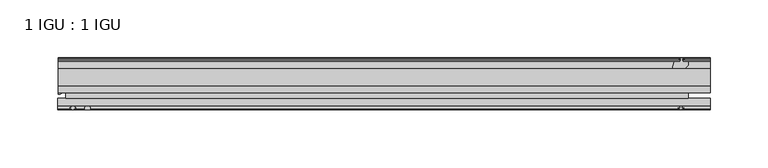
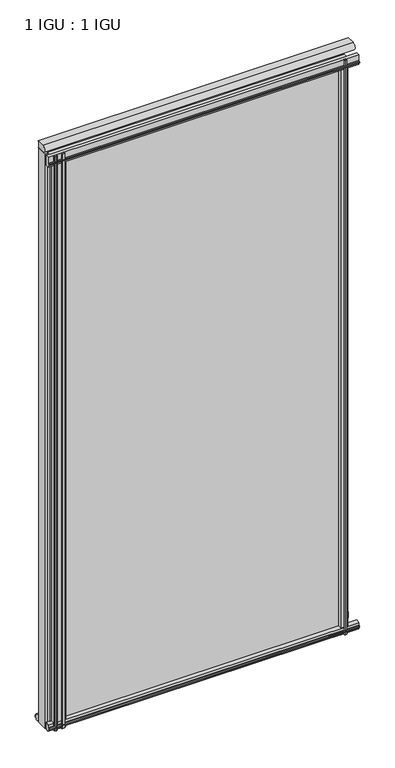
"""IFC4 building model written with IfcOpenShell, lengths in millimetres: plate geometry, 1 IGU : 1 IGU."""

from ifc_helpers import new_model, si_unit, point, frame, frame_2d, origin, place, context, project, spatial, polyline, circle_curve, ellipse_curve, trimmed, segment, composite_curve, outline, extrude, source, transform, mapped, element, save
from ifc_brep_helpers import plane_surface, cylinder_surface, revolved_surface, extruded_surface, advanced_brep


def plate_1_igu_1_igu_5620c379(model_context):
    return source(origin(), model_context, "Body", "SolidModel", [
        extrude(outline(polyline([(-276.2250001, -38.6468937), (263.5250001, -38.6468937), (263.5250001, -44.9460938), (-276.2250001, -44.9460938), (-276.2250001, -38.6468937)])), frame((0.0, 0.0, -12.7), z_axis=(0.0, 0.0, 1.0), x_axis=(1.0, 0.0, 0.0)), (0.0, 0.0, 1.0), 1106.5764186),
        extrude(outline(polyline([(-276.2250001, -19.5460937), (263.5250001, -19.5460937), (263.5250001, -25.8960938), (-276.2250001, -25.8960938), (-276.2250001, -19.5460937)])), frame((0.0, 0.0, -12.7), z_axis=(0.0, 0.0, 1.0), x_axis=(1.0, 0.0, 0.0)), (0.0, 0.0, 1.0), 1106.5764186),
        advanced_brep(
        [(-282.5750001, -21.1706006, -12.7), (-276.2263882, -19.5461438, -12.7), (-276.2263882, -25.8549351, -12.7), (-275.0510369, -32.21431, -12.7), (-282.5750001, -41.5384043, -12.7), (-282.5750001, -21.1706006, 1093.8764186), (-282.5750001, -41.5384043, 1093.8764186), (-275.0510369, -32.21431, 1093.8764186), (-276.2263882, -25.8549351, 1093.8764186), (-276.2263882, -19.5461438, 1093.8764186)],
        [
            (0, 1, circle_curve(frame((-282.5755695, -7.9505008, -12.7), z_axis=(0.0, 0.0, 1.0), x_axis=(1.0, 0.0, 0.0)), 13.2200998)),
            (1, 2),
            (2, 3, circle_curve(frame((-293.1134013, -32.2643264, -12.7), z_axis=(0.0, 0.0, -1.0), x_axis=(1.0, 0.0, 0.0)), 18.0624336)),
            (3, 4, ellipse_curve(frame((-282.5741672, -32.2460921, -12.7), z_axis=(0.0, 0.0, -1.0), x_axis=(0.0, -1.0, 0.0)), 9.2923123, 7.5231742)),
            (4, 0),
            (5, 6),
            (6, 7, ellipse_curve(frame((-282.5741672, -32.2460921, 1093.8764186), z_axis=(0.0, 0.0, 1.0), x_axis=(0.0, -1.0, 0.0)), 9.2923123, 7.5231742)),
            (7, 8, circle_curve(frame((-293.1134013, -32.2643264, 1093.8764186), z_axis=(0.0, 0.0, 1.0), x_axis=(1.0, 0.0, 0.0)), 18.0624336)),
            (8, 9),
            (9, 5, circle_curve(frame((-282.5755695, -7.9505008, 1093.8764186), z_axis=(0.0, 0.0, -1.0), x_axis=(1.0, 0.0, 0.0)), 13.2200998)),
            (0, 5),
            (9, 1),
            (8, 2),
            (7, 3),
            (6, 4),
        ],
        [
            plane_surface(frame((-282.5750001, -13.1960937, -12.7), z_axis=(0.0, 0.0, -1.0), x_axis=(0.0, 1.0, 0.0))),
            plane_surface(frame((-282.5750001, -13.1960937, 1093.8764186), z_axis=(0.0, 0.0, 1.0), x_axis=(0.0, 1.0, 0.0))),
            revolved_surface(polyline([(-269.35546969999996, -7.9505008, 1093.8764186), (-269.35546969999996, -7.9505008, -12.7)]), (-282.5755695, -7.9505008, -12.7), (0.0, 0.0, 1.0)),
            plane_surface(frame((-276.2263882, -19.5461438, -12.7), z_axis=(1.0, 0.0, 0.0), x_axis=(0.0, 0.0, 1.0))),
            cylinder_surface(frame((-293.1134013, -32.2643264, -12.7), z_axis=(0.0, 0.0, -1.0), x_axis=(1.0, 0.0, 0.0)), 18.0624336),
            extruded_surface(trimmed(ellipse_curve(frame((-282.5741672, -32.2460921, 1093.8764186), z_axis=(0.0, 0.0, -1.0), x_axis=(0.0, -1.0, 0.0)), 9.2923123, 7.5231742), [point((-275.0510369, -32.21431, 1093.8764186))], [point((-282.5750001, -41.5384043, 1093.8764186))], True, "CARTESIAN"), (0.0, 0.0, -1106.5764186000001), 1106.5764186000001),
            plane_surface(frame((-282.5750001, -41.5384043, -12.7), z_axis=(-1.0, 0.0, 0.0), x_axis=(0.0, 0.0, 1.0))),
        ],
        [
            (0, [[1, 2, 3, 4, 5]]),
            (1, [[6, 7, 8, 9, 10]]),
            (2, [[-1, 11, -10, 12]]),
            (3, [[-2, -12, -9, 13]]),
            (4, [[-3, -13, -8, 14]]),
            (5, [[-4, -14, -7, 15]]),
            (6, [[-5, -15, -6, -11]]),
        ],
    ),
        extrude(outline(polyline([(-44.9460937, 1.7177181), (-44.9460937, -9.1036578), (-48.3496937, -11.938), (-51.2960937, -11.938), (-51.2960937, -7.493), (-53.6762907, -7.112), (-53.2163575, -8.5275291), (-54.0175717, -8.5275291), (-54.7250937, -6.35), (-54.0175717, -4.1724709), (-53.2163575, -4.1724709), (-53.6762907, -5.588), (-51.2960937, -5.207), (-51.2960937, 0.0), (-44.9460937, 1.7177181)])), frame((-282.5750001, 0.0, 0.0), z_axis=(1.0, 0.0, 0.0), x_axis=(0.0, 1.0, 0.0)), (0.0, 0.0, 1.0), 565.1500002),
        extrude(outline(polyline([(-13.1960937, -12.4587), (-16.1424937, -12.4587), (-19.5460937, -9.6243578), (-19.5460937, 1.1970181), (-13.1960937, -0.5207), (-13.1960937, -5.7277), (-10.8158968, -6.1087), (-11.27583, -4.6931709), (-10.4746158, -4.6931709), (-9.7670937, -6.8707), (-10.4746158, -9.0482291), (-11.27583, -9.0482291), (-10.8158968, -7.6327), (-13.1960937, -8.0137), (-13.1960937, -12.4587)])), frame((-282.5750001, 0.0, 0.0), z_axis=(1.0, 0.0, 0.0), x_axis=(0.0, 1.0, 0.0)), (0.0, 0.0, 1.0), 565.1500002),
        extrude(outline(composite_curve([segment(polyline([(-44.9380025, 1074.7385163), (-51.2960937, 1074.7385163), (-51.2960937, 1079.5645163), (-54.1955564, 1079.5645163), (-54.8194621, 1080.5418087)]), True, "CONTINUOUS"), segment(trimmed(circle_curve(frame_2d((-53.9630937, 1081.0885163)), 1.016), [point((-54.8194621, 1080.5418087))], [point((-54.8194621, 1081.6352239))], False, "CARTESIAN"), True, "CONTINUOUS"), segment(polyline([(-54.8194621, 1081.6352239), (-54.1955564, 1082.6125163), (-51.2878033, 1082.6125163), (-51.2916866, 1093.7771998), (-44.9380025, 1093.7771998), (-44.9380025, 1074.7385163)]), True, "CONTINUOUS")], self_intersect=False)), frame((-283.0172939, 0.0, 0.0), z_axis=(1.0, 0.0, 0.0), x_axis=(0.0, 1.0, 0.0)), (0.0, 0.0, 1.0), 565.592294),
        extrude(outline(composite_curve([segment(trimmed(circle_curve(frame_2d((-241.8090688, -51.9750196)), 9.0414579), [point((-247.4960857, -44.9460938))], [point((-250.8250002, -51.2960938))], True, "CARTESIAN"), True, "CONTINUOUS"), segment(polyline([(-250.8250002, -51.2960938), (-255.0668002, -51.2960938)]), True, "CONTINUOUS"), segment(trimmed(circle_curve(frame_2d((-255.0668002, -51.7532938)), 0.4572), [point((-255.0668002, -51.2960938))], [point((-255.4056181, -52.0602698))], True, "CARTESIAN"), True, "CONTINUOUS"), segment(trimmed(circle_curve(frame_2d((-257.1750002, -53.663367)), 2.3876), [point((-255.4056181, -52.0602698))], [point((-255.1043572, -54.8520938))], False, "CARTESIAN"), True, "CONTINUOUS"), segment(polyline([(-255.1043572, -54.8520938), (-259.2456432, -54.8520938)]), True, "CONTINUOUS"), segment(trimmed(circle_curve(frame_2d((-257.1750002, -53.663367)), 2.3876), [point((-259.2456432, -54.8520938))], [point((-258.9443824, -52.0602698))], False, "CARTESIAN"), True, "CONTINUOUS"), segment(trimmed(circle_curve(frame_2d((-259.2832002, -51.7532938)), 0.4572), [point((-258.9443824, -52.0602698))], [point((-259.2832002, -51.2960938))], True, "CARTESIAN"), True, "CONTINUOUS"), segment(polyline([(-259.2832002, -51.2960938), (-268.3510002, -51.2960938), (-268.3510002, -52.9470938), (-267.2733695, -52.9470938)]), True, "CONTINUOUS"), segment(trimmed(circle_curve(frame_2d((-268.3510002, -52.9470938)), 1.0776307), [point((-267.2733695, -52.9470938))], [point((-267.5890002, -53.7090938))], False, "CARTESIAN"), True, "CONTINUOUS"), segment(polyline([(-267.5890002, -53.7090938), (-269.3282926, -54.8194621)]), True, "CONTINUOUS"), segment(trimmed(circle_curve(frame_2d((-269.8750002, -53.9630938)), 1.016), [point((-269.3282926, -54.8194621))], [point((-270.4217078, -54.8194621))], False, "CARTESIAN"), True, "CONTINUOUS"), segment(polyline([(-270.4217078, -54.8194621), (-272.1610002, -53.7090938)]), True, "CONTINUOUS"), segment(trimmed(circle_curve(frame_2d((-271.3990002, -52.9470938)), 1.0776307), [point((-272.1610002, -53.7090938))], [point((-272.476631, -52.9470938))], False, "CARTESIAN"), True, "CONTINUOUS"), segment(polyline([(-272.476631, -52.9470938), (-271.3990002, -52.9470938), (-271.3990002, -51.2960938), (-273.0500002, -51.2960938), (-273.0500002, -44.9460938), (-247.4960857, -44.9460938)]), True, "CONTINUOUS")], self_intersect=False)), frame((0.0, 0.0, -12.7), z_axis=(0.0, 0.0, 1.0), x_axis=(1.0, 0.0, 0.0)), (0.0, 0.0, 1.0), 1106.5764187),
        extrude(outline(polyline([(249.627982, -19.5460938), (251.3457001, -13.1960938), (256.5527001, -13.1960938), (256.9337001, -10.8158968), (255.518171, -11.27583), (255.518171, -10.4746158), (257.6957001, -9.7670938), (259.8732291, -10.4746158), (259.8732291, -11.27583), (258.4577001, -10.8158968), (258.8387001, -13.1960938), (263.2837001, -13.1960938), (263.2837001, -16.1424938), (260.4493579, -19.5460938), (249.627982, -19.5460938)])), frame((0.0, 0.0, -12.7), z_axis=(0.0, 0.0, 1.0), x_axis=(1.0, 0.0, 0.0)), (0.0, 0.0, 1.0), 1106.5764187),
        extrude(outline(polyline([(249.107282, -44.9460938), (259.9286579, -44.9460938), (262.7630001, -48.3496938), (262.7630001, -51.2960938), (258.3180001, -51.2960938), (257.9370001, -53.6762907), (259.3525291, -53.2163575), (259.3525291, -54.0175717), (257.1750001, -54.7250938), (254.997471, -54.0175717), (254.997471, -53.2163575), (256.4130001, -53.6762907), (256.0320001, -51.2960938), (250.8250001, -51.2960938), (249.107282, -44.9460938)])), frame((0.0, 0.0, -12.7), z_axis=(0.0, 0.0, 1.0), x_axis=(1.0, 0.0, 0.0)), (0.0, 0.0, 1.0), 1106.5764187),
        extrude(outline(composite_curve([segment(trimmed(circle_curve(frame_2d((-9.2245666, 1100.1899978)), 12.1106873), [point((-19.5460937, 1106.525203))], [point((-19.5460937, 1093.8547926))], True, "CARTESIAN"), True, "CONTINUOUS"), segment(polyline([(-19.5460937, 1093.8547926), (-33.8757421, 1093.8547926)]), True, "CONTINUOUS"), segment(trimmed(circle_curve(frame_2d((-33.8757421, 1100.1899978)), 6.3352052), [point((-33.8757421, 1093.8547926))], [point((-33.8757421, 1106.525203))], False, "CARTESIAN"), True, "CONTINUOUS"), segment(polyline([(-33.8757421, 1106.525203), (-19.5460937, 1106.525203)]), True, "CONTINUOUS")], self_intersect=False)), frame((-282.5750001, 0.0, 0.0), z_axis=(1.0, 0.0, 0.0), x_axis=(0.0, 1.0, 0.0)), (0.0, 0.0, 1.0), 565.1500002),
    ])


if __name__ == "__main__":
    model = new_model("IFC4")
    model_context = context("Model", 3, world=origin())
    ifc_project = project(units=[si_unit("LENGTHUNIT", "METRE", prefix="MILLI")], contexts=[model_context])
    site = spatial("IfcSite", under=ifc_project)
    building = spatial("IfcBuilding", under=site)
    placement = place(None, origin())
    plate_1_igu_1_igu_shape = plate_1_igu_1_igu_5620c379(model_context)
    element("IfcPlate", 1, ObjectType="1 IGU : 1 IGU", at=placement, inside=building, context=model_context, shape_type="MappedRepresentation", body=[
        mapped(plate_1_igu_1_igu_shape, transform((0.0, 0.0, 0.0), x_axis=(1.0, 0.0, 0.0), y_axis=(0.0, 1.0, 0.0), z_axis=(0.0, 0.0, 1.0))),
    ])
    save(model, "model.ifc")
